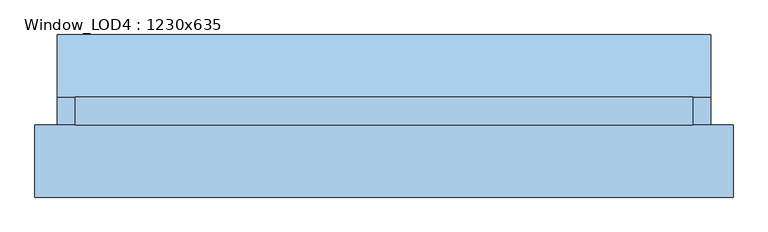
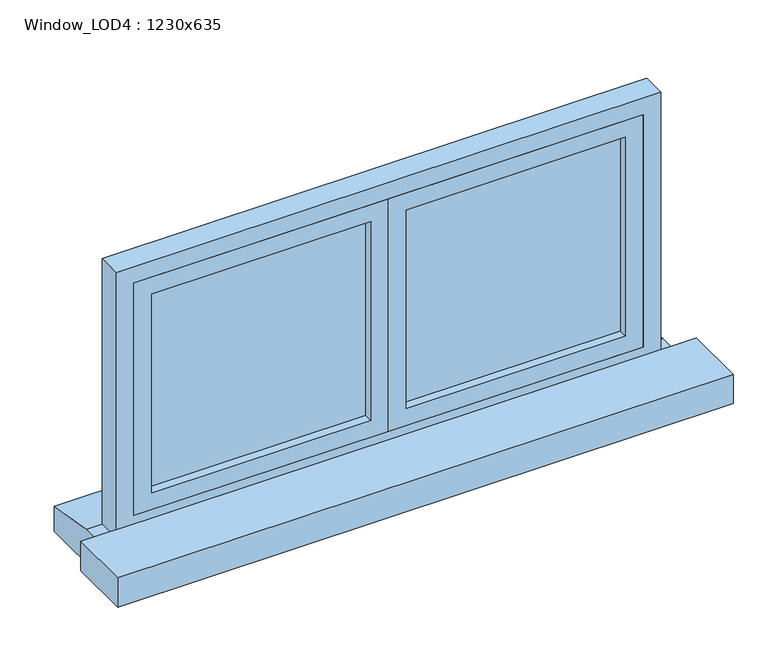
"""IFC4 building model written with IfcOpenShell, lengths in millimetres: window geometry, Window_LOD4 : 1230x635."""

from ifc_helpers import new_model, si_unit, frame, origin, place, context, project, spatial, polyline, outline, extrude, source, transform, mapped, element, save


def window_lod4_1230x635_666d06ed(model_context):
    return source(origin(), model_context, "Body", "SweptSolid", [
        extrude(outline(polyline([(535.0000246, 25.0), (40.0, 25.0), (40.0, 40.0), (535.0000246, 40.0), (535.0000246, 25.0)])), frame((0.0, 0.0, 880.0), z_axis=(0.0, 0.0, 1.0), x_axis=(1.0, 0.0, 0.0)), (0.0, 0.0, 1.0), 475.0000254),
        extrude(outline(polyline([(1395.0000254, 0.0), (840.0, 0.0), (840.0, 575.0000246), (1395.0000254, 575.0000246), (1395.0000254, 0.0)]), holes=[polyline([(1355.0000254, 40.0), (1355.0000254, 535.0000246), (880.0, 535.0000246), (880.0, 40.0), (1355.0000254, 40.0)])]), frame((0.0, 5.0, 0.0), z_axis=(0.0, 1.0, 0.0), x_axis=(0.0, 0.0, 1.0)), (0.0, 0.0, 1.0), 55.0),
        extrude(outline(polyline([(-40.0, 25.0), (-535.0000246, 25.0), (-535.0000246, 40.0), (-40.0, 40.0), (-40.0, 25.0)])), frame((0.0, 0.0, 880.0), z_axis=(0.0, 0.0, 1.0), x_axis=(1.0, 0.0, 0.0)), (0.0, 0.0, 1.0), 475.0000254),
        extrude(outline(polyline([(1395.0000254, -575.0000246), (840.0, -575.0000246), (840.0, 0.0), (1395.0000254, 0.0), (1395.0000254, -575.0000246)]), holes=[polyline([(1355.0000254, -535.0000246), (1355.0000254, -40.0), (880.0, -40.0), (880.0, -535.0000246), (1355.0000254, -535.0000246)])]), frame((0.0, 5.0, 0.0), z_axis=(0.0, 1.0, 0.0), x_axis=(0.0, 0.0, 1.0)), (0.0, 0.0, 1.0), 55.0),
        extrude(outline(polyline([(60.0, 800.0), (184.4078039, 780.0), (184.4078039, 720.0), (5.0, 720.0), (5.0, 800.0), (60.0, 800.0)])), frame((-650.8669325, 0.0, 0.0), z_axis=(1.0, 0.0, 0.0), x_axis=(0.0, 1.0, 0.0)), (0.0, 0.0, 1.0), 1301.733865),
        extrude(outline(polyline([(1435.0000254, -615.0000246), (800.0, -615.0000246), (800.0, 615.0000246), (1435.0000254, 615.0000246), (1435.0000254, -615.0000246)]), holes=[polyline([(1395.0000254, -575.0000246), (1395.0000254, 575.0000246), (840.0, 575.0000246), (840.0, -575.0000246), (1395.0000254, -575.0000246)])]), frame((0.0, 5.0, 0.0), z_axis=(0.0, 1.0, 0.0), x_axis=(0.0, 0.0, 1.0)), (0.0, 0.0, 1.0), 55.0),
        extrude(outline(polyline([(695.0000246, 5.0), (695.0000246, -139.345219), (-695.0000246, -139.345219), (-695.0000246, 5.0), (695.0000246, 5.0)])), frame((0.0, 0.0, 750.0), z_axis=(0.0, 0.0, 1.0), x_axis=(1.0, 0.0, 0.0)), (0.0, 0.0, 1.0), 70.0),
    ])


if __name__ == "__main__":
    model = new_model("IFC4")
    model_context = context("Model", 3, world=origin())
    ifc_project = project(units=[si_unit("LENGTHUNIT", "METRE", prefix="MILLI")], contexts=[model_context])
    site = spatial("IfcSite", under=ifc_project)
    building = spatial("IfcBuilding", under=site)
    placement = place(None, origin())
    window_lod4_1230x635_shape = window_lod4_1230x635_666d06ed(model_context)
    element("IfcWindow", 1, ObjectType="Window_LOD4 : 1230x635", at=placement, inside=building, context=model_context, shape_type="MappedRepresentation", body=[
        mapped(window_lod4_1230x635_shape, transform((0.0, 0.0, 0.0), x_axis=(1.0, 0.0, 0.0), y_axis=(0.0, 1.0, 0.0), z_axis=(0.0, 0.0, 1.0))),
    ])
    save(model, "model.ifc")
